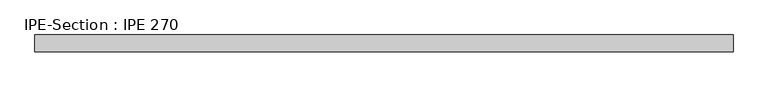
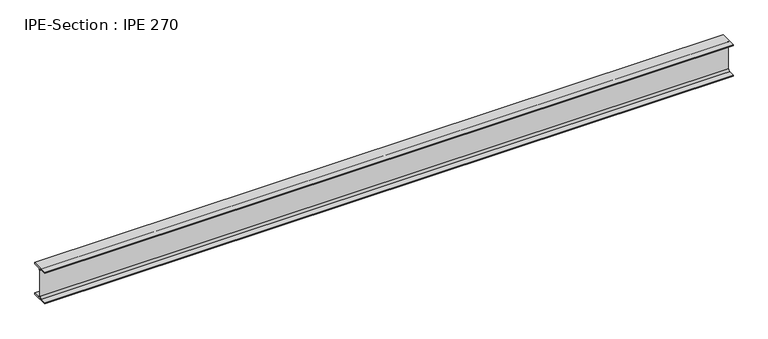
"""IFC4 building model written with IfcOpenShell, lengths in millimetres: beam geometry, IPE-Section : IPE 270."""

import ifcopenshell
import ifcopenshell.guid

model = None  # the IFC model being written
_history = None  # IfcOwnerHistory: only IFC2X3 demands one
_inside = {}  # id of a spatial element -> (the spatial element, [elements in it])
_under = {}  # id of a project, library or spatial element -> (it, [spatial elements below it])
_declared = {}  # id of a project -> (the project, [libraries it declares])
_typed = {}  # id of a type object -> (the type object, [elements of that type])
_made_of = {}  # id of a material, layer set ... -> (it, [elements and type objects made of it])


def new_model(schema):
    """Start an empty IFC model of exactly this schema.

    Asked for "IFC4X3", IfcOpenShell would pick the latest addendum, in which some entities
    have other attributes; the version numbers below select the first issue.
    IFC2X3 requires an IfcOwnerHistory on every rooted entity: one is made here for all.
    """
    global model, _history
    if schema == "IFC4X3":
        model = ifcopenshell.file(schema_version=(4, 3, 0, 0))
    else:
        model = ifcopenshell.file(schema=schema)
    _inside.clear()
    _under.clear()
    _declared.clear()
    _typed.clear()
    _made_of.clear()
    _history = None
    if model.schema == "IFC2X3":
        org = make("IfcOrganization", Name="unknown")
        user = make(
            "IfcPersonAndOrganization",
            ThePerson=make("IfcPerson", FamilyName="unknown"),
            TheOrganization=org,
        )
        app = make(
            "IfcApplication",
            ApplicationDeveloper=org,
            Version="unknown",
            ApplicationFullName="unknown",
            ApplicationIdentifier="unknown",
        )
        _history = make(
            "IfcOwnerHistory",
            OwningUser=user,
            OwningApplication=app,
            ChangeAction="ADDED",
            CreationDate=0,
        )
    return model


def make(cls, **values):
    """One entity of the class cls with the attributes given. An attribute that is None is left unset."""
    return model.create_entity(
        cls, **{name: value for name, value in values.items() if value is not None}
    )


def rooted(cls, **values):
    """An entity with a GlobalId (a new one), such as an element, a storey or a relation."""
    return make(cls, GlobalId=ifcopenshell.guid.new(), OwnerHistory=_history, **values)


def si_unit(unit_type, name, prefix=None):
    """IfcSIUnit, for example si_unit("LENGTHUNIT", "METRE", prefix="MILLI")."""
    return make("IfcSIUnit", UnitType=unit_type, Prefix=prefix, Name=name)


def assignment(units):
    """IfcUnitAssignment: the units of a project."""
    return None if units is None else make("IfcUnitAssignment", Units=units)


def point(xyz):
    """IfcCartesianPoint."""
    return None if xyz is None else make("IfcCartesianPoint", Coordinates=xyz)


def direction(xyz):
    """IfcDirection."""
    return None if xyz is None else make("IfcDirection", DirectionRatios=xyz)


def frame(location, z_axis=None, x_axis=None):
    """IfcAxis2Placement3D, a coordinate frame: its origin and axes. An axis left out is left unset."""
    return make(
        "IfcAxis2Placement3D",
        Location=point(location),
        Axis=direction(z_axis),
        RefDirection=direction(x_axis),
    )


def frame_2d(location, x_axis=None):
    """IfcAxis2Placement2D, a coordinate frame in the plane: its origin and x axis."""
    return make(
        "IfcAxis2Placement2D", Location=point(location), RefDirection=direction(x_axis)
    )


def origin():
    """The frame at (0, 0, 0) with its axes left unset."""
    return frame((0.0, 0.0, 0.0))


def place(relative_to, where):
    """IfcLocalPlacement: puts the frame where relative to a parent placement (None: the world)."""
    return make(
        "IfcLocalPlacement", PlacementRelTo=relative_to, RelativePlacement=where
    )


def context(
    kind, dimensions, precision=None, world=None, true_north=None, identifier=None
):
    """IfcGeometricRepresentationContext, for example the 3D "Model" context."""
    return make(
        "IfcGeometricRepresentationContext",
        ContextIdentifier=identifier,
        ContextType=kind,
        CoordinateSpaceDimension=dimensions,
        Precision=precision,
        WorldCoordinateSystem=world,
        TrueNorth=true_north,
    )


def project(units=None, contexts=None):
    """IfcProject with its units and contexts."""
    return rooted(
        "IfcProject",
        Name="project",
        RepresentationContexts=contexts,
        UnitsInContext=assignment(units),
    )


def spatial(cls, under=None, at=None, **own):
    """A site, building, storey or space (cls), placed at a placement, below another one or the project."""
    s = rooted(cls, ObjectPlacement=at, **own)
    if under is not None:
        _under.setdefault(under.id(), (under, []))[1].append(s)
    return s


def polyline(points):
    """IfcPolyline through the points."""
    return make("IfcPolyline", Points=[point(p) for p in points])


def circle_curve(where, radius):
    """IfcCircle in the frame where."""
    return make("IfcCircle", Position=where, Radius=radius)


def trimmed(basis, trim1, trim2, sense, master):
    """IfcTrimmedCurve: the piece of a basis curve between two trims."""
    return make(
        "IfcTrimmedCurve",
        BasisCurve=basis,
        Trim1=trim1,
        Trim2=trim2,
        SenseAgreement=sense,
        MasterRepresentation=master,
    )


def segment(curve, same_sense, transition):
    """IfcCompositeCurveSegment."""
    return make(
        "IfcCompositeCurveSegment",
        Transition=transition,
        SameSense=same_sense,
        ParentCurve=curve,
    )


def composite_curve(segments, self_intersect=None):
    """IfcCompositeCurve: segments joined end to end."""
    return make("IfcCompositeCurve", Segments=segments, SelfIntersect=self_intersect)


def outline(outer, holes=None, kind="AREA"):
    """IfcArbitraryClosedProfileDef: a profile drawn as a closed curve; with holes, ...WithVoids."""
    if holes is None:
        return make("IfcArbitraryClosedProfileDef", ProfileType=kind, OuterCurve=outer)
    return make(
        "IfcArbitraryProfileDefWithVoids",
        ProfileType=kind,
        OuterCurve=outer,
        InnerCurves=holes,
    )


def extrude(swept, where, along, depth):
    """IfcExtrudedAreaSolid: the profile swept, set in the frame where, extruded along a direction by depth."""
    return make(
        "IfcExtrudedAreaSolid",
        SweptArea=swept,
        Position=where,
        ExtrudedDirection=direction(along),
        Depth=depth,
    )


def shape(context_of_items, identifier, shape_type, items):
    """IfcShapeRepresentation: the items that make up one representation, for example the "Body"."""
    return make(
        "IfcShapeRepresentation",
        ContextOfItems=context_of_items,
        RepresentationIdentifier=identifier,
        RepresentationType=shape_type,
        Items=items,
    )


def source(mapping_origin, context_of_items, identifier, shape_type, items):
    """IfcRepresentationMap: a shape defined once, which mapped items show again and again."""
    return make(
        "IfcRepresentationMap",
        MappingOrigin=mapping_origin,
        MappedRepresentation=shape(context_of_items, identifier, shape_type, items),
    )


def transform(
    local_origin,
    x_axis=None,
    y_axis=None,
    z_axis=None,
    scale=None,
    scale2=None,
    scale3=None,
    uniform=True,
):
    """IfcCartesianTransformationOperator3D, or its non-uniform kind. x_axis, y_axis, z_axis: its Axis1, 2, 3."""
    if uniform:
        return make(
            "IfcCartesianTransformationOperator3D",
            Axis1=direction(x_axis),
            Axis2=direction(y_axis),
            LocalOrigin=point(local_origin),
            Scale=scale,
            Axis3=direction(z_axis),
        )
    return make(
        "IfcCartesianTransformationOperator3DnonUniform",
        Axis1=direction(x_axis),
        Axis2=direction(y_axis),
        LocalOrigin=point(local_origin),
        Scale=scale,
        Axis3=direction(z_axis),
        Scale2=scale2,
        Scale3=scale3,
    )


def mapped(mapping_source, mapping_target):
    """IfcMappedItem: shows the shape of a source again, moved by a transform."""
    return make(
        "IfcMappedItem", MappingSource=mapping_source, MappingTarget=mapping_target
    )


def made_of(thing, what):
    """Note that an element or type object is made of a material, layer set ...; save() writes the relation."""
    if what is not None:
        _made_of.setdefault(what.id(), (what, []))[1].append(thing)
    return thing


def element(
    cls,
    number,
    at=None,
    inside=None,
    cuts=None,
    type_object=None,
    material=None,
    context=None,
    identifier="Body",
    shape_type=None,
    held_by="IfcProductDefinitionShape",
    body=None,
    shapes=None,
    **own,
):
    """One element of the class cls, such as IfcWall. Its Tag is "e" and its number.

    at: its placement. inside: the storey or other place that contains it. cuts: it is an
    opening in that element (IfcRelVoidsElement). A single representation is given by context,
    identifier, shape_type and body (its items); several are given by shapes. held_by: the class
    of the entity that holds the representations. save() writes the other relations.
    """
    e = rooted(cls, Tag="e%d" % number, ObjectPlacement=at, **own)
    if body is not None:
        shapes = [shape(context, identifier, shape_type, body)]
    if shapes is not None:
        e.Representation = make(held_by, Representations=shapes)
    if inside is not None:
        _inside.setdefault(inside.id(), (inside, []))[1].append(e)
    if cuts is not None:
        rooted(
            "IfcRelVoidsElement", RelatingBuildingElement=cuts, RelatedOpeningElement=e
        )
    if type_object is not None:
        _typed.setdefault(type_object.id(), (type_object, []))[1].append(e)
    return made_of(e, material)


def aggregate(whole, parts):
    """IfcRelAggregates: a whole, such as a stair, and the parts it consists of."""
    return rooted("IfcRelAggregates", RelatingObject=whole, RelatedObjects=parts)


def save(model, path):
    """Write the relations noted so far, then the file.

    IfcRelAggregates (storeys below a building ...), IfcRelContainedInSpatialStructure (elements
    in a storey), IfcRelDefinesByType, IfcRelAssociatesMaterial and IfcRelDeclares: one each for
    every whole, place, type object, material and project.
    """
    for whole, parts in _under.values():
        aggregate(whole, parts)
    for where, things in _inside.values():
        rooted(
            "IfcRelContainedInSpatialStructure",
            RelatedElements=things,
            RelatingStructure=where,
        )
    for kind, things in _typed.values():
        rooted("IfcRelDefinesByType", RelatedObjects=things, RelatingType=kind)
    for what, things in _made_of.values():
        rooted("IfcRelAssociatesMaterial", RelatedObjects=things, RelatingMaterial=what)
    for by, libraries in _declared.values():
        rooted("IfcRelDeclares", RelatingContext=by, RelatedDefinitions=libraries)
    model.write(path)


def ipe_section_ipe_270_4e97d43f(model_context):
    return source(origin(), model_context, "Body", "SweptSolid", [
        extrude(outline(composite_curve([segment(polyline([(67.5, -124.8), (67.5, -135.0), (-67.5, -135.0), (-67.5, -124.8), (-18.3, -124.8)]), True, "CONTINUOUS"), segment(trimmed(circle_curve(frame_2d((-18.3, -109.8)), 15.0), [point((-18.3, -124.8))], [point((-3.3, -109.8))], True, "CARTESIAN"), True, "CONTINUOUS"), segment(polyline([(-3.3, -109.8), (-3.3, 109.8)]), True, "CONTINUOUS"), segment(trimmed(circle_curve(frame_2d((-18.3, 109.8)), 15.0), [point((-3.3, 109.8))], [point((-18.3, 124.8))], True, "CARTESIAN"), True, "CONTINUOUS"), segment(polyline([(-18.3, 124.8), (-67.5, 124.8), (-67.5, 135.0), (67.5, 135.0), (67.5, 124.8), (18.3, 124.8)]), True, "CONTINUOUS"), segment(trimmed(circle_curve(frame_2d((18.3, 109.8)), 15.0), [point((18.3, 124.8))], [point((3.3, 109.8))], True, "CARTESIAN"), True, "CONTINUOUS"), segment(polyline([(3.3, 109.8), (3.3, -109.8)]), True, "CONTINUOUS"), segment(trimmed(circle_curve(frame_2d((18.3, -109.8)), 15.0), [point((3.3, -109.8))], [point((18.3, -124.8))], True, "CARTESIAN"), True, "CONTINUOUS"), segment(polyline([(18.3, -124.8), (67.5, -124.8)]), True, "CONTINUOUS")], self_intersect=False)), frame((-2769.6660513, 0.0, 0.0), z_axis=(1.0, 0.0, 0.0), x_axis=(0.0, 1.0, 0.0)), (0.0, 0.0, 1.0), 5548.3914253),
    ])


if __name__ == "__main__":
    model = new_model("IFC4")
    model_context = context("Model", 3, world=origin())
    ifc_project = project(units=[si_unit("LENGTHUNIT", "METRE", prefix="MILLI")], contexts=[model_context])
    site = spatial("IfcSite", under=ifc_project)
    building = spatial("IfcBuilding", under=site)
    placement = place(None, origin())
    ipe_section_ipe_270_shape = ipe_section_ipe_270_4e97d43f(model_context)
    element("IfcBeam", 1, ObjectType="IPE-Section : IPE 270", at=placement, inside=building, context=model_context, shape_type="MappedRepresentation", body=[
        mapped(ipe_section_ipe_270_shape, transform((0.0, 0.0, 0.0), x_axis=(1.0, 0.0, 0.0), y_axis=(0.0, 1.0, 0.0), z_axis=(0.0, 0.0, 1.0))),
    ])
    save(model, "model.ifc")
